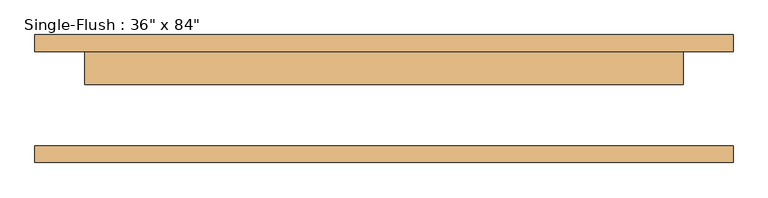
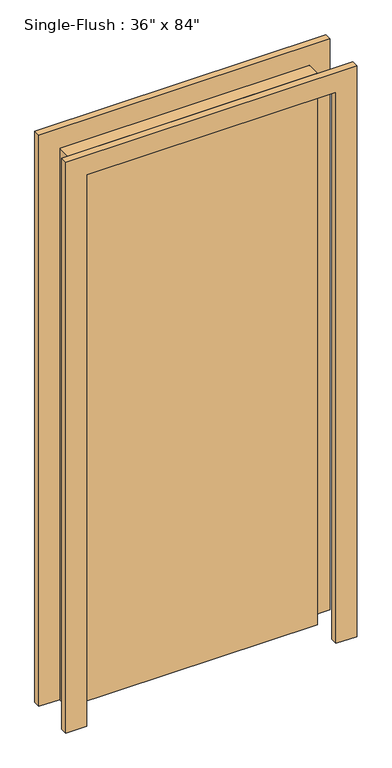
"""IFC4 building model written with IfcOpenShell, lengths in millimetres: door geometry."""

from ifc_helpers import new_model, si_unit, frame, origin, origin_with_axes, place, context, project, spatial, polyline, outline, extrude, source, transform, mapped, element, save


def door_03b85dc4(model_context):
    return source(origin(), model_context, "Body", "SweptSolid", [
        extrude(outline(polyline([(2209.8, -533.4), (0.0, -533.4), (0.0, -457.2), (2133.6, -457.2), (2133.6, 457.2), (0.0, 457.2), (0.0, 533.4), (2209.8, 533.4), (2209.8, -533.4)])), frame((0.0, 72.375, 0.0), z_axis=(0.0, 1.0, 0.0), x_axis=(0.0, 0.0, 1.0)), (0.0, 0.0, 1.0), 25.4),
        extrude(outline(polyline([(2209.8, 533.4), (2209.8, -533.4), (0.0, -533.4), (0.0, -457.2), (2133.6, -457.2), (2133.6, 457.2), (0.0, 457.2), (0.0, 533.4), (2209.8, 533.4)])), frame((0.0, -97.775, 0.0), z_axis=(0.0, 1.0, 0.0), x_axis=(0.0, 0.0, 1.0)), (0.0, 0.0, 1.0), 25.4),
        extrude(outline(polyline([(457.2, 21.575), (-457.2, 21.575), (-457.2, 72.375), (457.2, 72.375), (457.2, 21.575)])), origin_with_axes(), (0.0, 0.0, 1.0), 2133.6),
    ])


if __name__ == "__main__":
    model = new_model("IFC4")
    model_context = context("Model", 3, world=origin())
    ifc_project = project(units=[si_unit("LENGTHUNIT", "METRE", prefix="MILLI")], contexts=[model_context])
    site = spatial("IfcSite", under=ifc_project)
    building = spatial("IfcBuilding", under=site)
    placement = place(None, origin())
    door_shape = door_03b85dc4(model_context)
    element("IfcDoor", 1, ObjectType="Single-Flush : 36\" x 84\"", at=placement, inside=building, context=model_context, shape_type="MappedRepresentation", body=[
        mapped(door_shape, transform((0.0, 0.0, 0.0), x_axis=(1.0, 0.0, 0.0), y_axis=(0.0, 1.0, 0.0), z_axis=(0.0, 0.0, 1.0))),
    ])
    save(model, "model.ifc")
